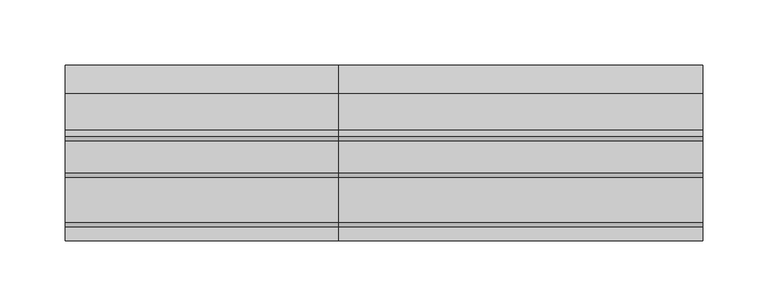
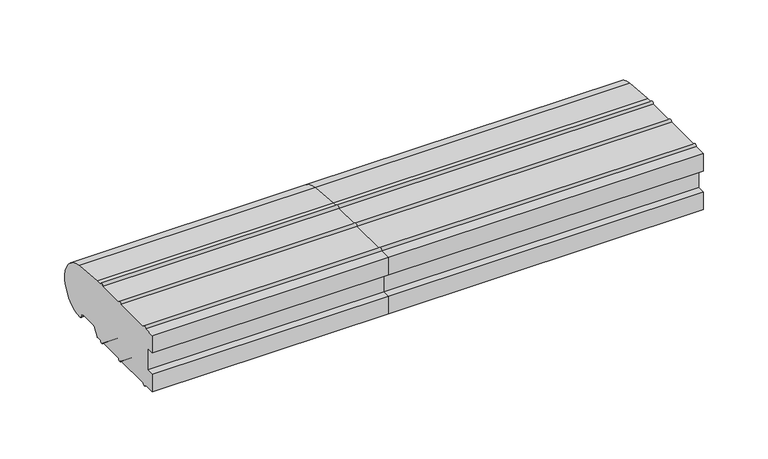
"""IFC4 building model written with IfcOpenShell, lengths in millimetres: proxy geometry."""

from ifc_helpers import new_model, si_unit, point, frame, frame_2d, origin, place, context, project, spatial, polyline, circle_curve, trimmed, segment, composite_curve, outline, extrude, source, transform, mapped, element, save


def generic_models_a398ca69(model_context):
    return source(origin(), model_context, "Body", "SweptSolid", [
        extrude(outline(composite_curve([segment(trimmed(circle_curve(frame_2d((26.5732255, 3.5071443)), 1.0), [point((26.5981483, 2.5074549))], [point((25.7072001, 3.0071443))], False, "CARTESIAN"), True, "CONTINUOUS"), segment(polyline([(25.7072001, 3.0071443), (23.6905989, 6.5)]), True, "CONTINUOUS"), segment(trimmed(circle_curve(frame_2d((21.9585481, 5.5)), 2.0), [point((23.6905989, 6.5))], [point((21.9585481, 7.5))], True, "CARTESIAN"), True, "CONTINUOUS"), segment(polyline([(21.9585481, 7.5), (5.4848276, 7.5)]), True, "CONTINUOUS"), segment(trimmed(circle_curve(frame_2d((5.4848276, 5.5)), 2.0), [point((5.4848276, 7.5))], [point((3.7527767, 6.5))], True, "CARTESIAN"), True, "CONTINUOUS"), segment(polyline([(3.7527767, 6.5), (0.2886751, 0.5)]), True, "CONTINUOUS"), segment(trimmed(circle_curve(frame_2d((-0.5773503, 1.0)), 1.0), [point((0.2886751, 0.5))], [point((-0.5773503, 0.0))], False, "CARTESIAN"), True, "CONTINUOUS"), segment(polyline([(-0.5773503, 0.0), (-5.0, 0.0)]), True, "CONTINUOUS"), segment(trimmed(circle_curve(frame_2d((-6.75, 0.0)), 1.75), [point((-5.0, 0.0))], [point((-8.5, 0.0))], False, "CARTESIAN"), True, "CONTINUOUS"), segment(polyline([(-8.5, 0.0), (-33.0, 0.0)]), True, "CONTINUOUS"), segment(trimmed(circle_curve(frame_2d((-34.75, 0.0)), 1.75), [point((-33.0, 0.0))], [point((-36.5, 0.0))], False, "CARTESIAN"), True, "CONTINUOUS"), segment(polyline([(-36.5, 0.0), (-71.0, 0.0)]), True, "CONTINUOUS"), segment(trimmed(circle_curve(frame_2d((-72.75, 0.0)), 1.75), [point((-71.0, 0.0))], [point((-74.5, 0.0))], False, "CARTESIAN"), True, "CONTINUOUS"), segment(polyline([(-74.5, 0.0), (-85.0, 0.0), (-85.0, 16.5), (-78.0, 16.5), (-78.0, 36.5), (-85.0, 36.5), (-85.0, 52.8593609), (-74.5, 52.8593609)]), True, "CONTINUOUS"), segment(trimmed(circle_curve(frame_2d((-72.75, 52.8593609)), 1.75), [point((-74.5, 52.8593609))], [point((-71.0, 52.8593609))], False, "CARTESIAN"), True, "CONTINUOUS"), segment(polyline([(-71.0, 52.8593609), (-36.5, 52.8593609)]), True, "CONTINUOUS"), segment(trimmed(circle_curve(frame_2d((-34.75, 52.8593609)), 1.75), [point((-36.5, 52.8593609))], [point((-33.0, 52.8593609))], False, "CARTESIAN"), True, "CONTINUOUS"), segment(polyline([(-33.0, 52.8593609), (-8.5, 52.8593609)]), True, "CONTINUOUS"), segment(trimmed(circle_curve(frame_2d((-6.75, 52.8593609)), 1.75), [point((-8.5, 52.8593609))], [point((-5.0, 52.8593609))], False, "CARTESIAN"), True, "CONTINUOUS"), segment(polyline([(-5.0, 52.8593609), (0.0, 52.8593609), (28.0858073, 50.4091909)]), True, "CONTINUOUS"), segment(trimmed(circle_curve(frame_2d((26.0, 26.5)), 24.0), [point((28.0858073, 50.4091909))], [point((26.5981483, 2.5074549))], False, "CARTESIAN"), True, "CONTINUOUS")], self_intersect=False)), frame((-210.0, 0.0, 0.0), z_axis=(1.0, 0.0, 0.0), x_axis=(0.0, 1.0, 0.0)), (0.0, 0.0, 1.0), 210.0),
        extrude(outline(composite_curve([segment(trimmed(circle_curve(frame_2d((26.5732255, 3.5071443)), 1.0), [point((26.5981483, 2.5074549))], [point((25.7072001, 3.0071443))], False, "CARTESIAN"), True, "CONTINUOUS"), segment(polyline([(25.7072001, 3.0071443), (23.6905989, 6.5)]), True, "CONTINUOUS"), segment(trimmed(circle_curve(frame_2d((21.9585481, 5.5)), 2.0), [point((23.6905989, 6.5))], [point((21.9585481, 7.5))], True, "CARTESIAN"), True, "CONTINUOUS"), segment(polyline([(21.9585481, 7.5), (5.4848276, 7.5)]), True, "CONTINUOUS"), segment(trimmed(circle_curve(frame_2d((5.4848276, 5.5)), 2.0), [point((5.4848276, 7.5))], [point((3.7527767, 6.5))], True, "CARTESIAN"), True, "CONTINUOUS"), segment(polyline([(3.7527767, 6.5), (0.2886751, 0.5)]), True, "CONTINUOUS"), segment(trimmed(circle_curve(frame_2d((-0.5773503, 1.0)), 1.0), [point((0.2886751, 0.5))], [point((-0.5773503, 0.0))], False, "CARTESIAN"), True, "CONTINUOUS"), segment(polyline([(-0.5773503, 0.0), (-5.0, 0.0)]), True, "CONTINUOUS"), segment(trimmed(circle_curve(frame_2d((-6.75, 0.0)), 1.75), [point((-5.0, 0.0))], [point((-8.5, 0.0))], False, "CARTESIAN"), True, "CONTINUOUS"), segment(polyline([(-8.5, 0.0), (-33.0, 0.0)]), True, "CONTINUOUS"), segment(trimmed(circle_curve(frame_2d((-34.75, 0.0)), 1.75), [point((-33.0, 0.0))], [point((-36.5, 0.0))], False, "CARTESIAN"), True, "CONTINUOUS"), segment(polyline([(-36.5, 0.0), (-71.0, 0.0)]), True, "CONTINUOUS"), segment(trimmed(circle_curve(frame_2d((-72.75, 0.0)), 1.75), [point((-71.0, 0.0))], [point((-74.5, 0.0))], False, "CARTESIAN"), True, "CONTINUOUS"), segment(polyline([(-74.5, 0.0), (-85.0, 0.0), (-85.0, 16.5), (-78.0, 16.5), (-78.0, 36.5), (-85.0, 36.5), (-85.0, 52.8558627), (-74.5, 52.8558627)]), True, "CONTINUOUS"), segment(trimmed(circle_curve(frame_2d((-72.75, 52.8558627)), 1.75), [point((-74.5, 52.8558627))], [point((-71.0, 52.8558627))], False, "CARTESIAN"), True, "CONTINUOUS"), segment(polyline([(-71.0, 52.8558627), (-36.5, 52.8558627)]), True, "CONTINUOUS"), segment(trimmed(circle_curve(frame_2d((-34.75, 52.8558627)), 1.75), [point((-36.5, 52.8558627))], [point((-33.0, 52.8558627))], False, "CARTESIAN"), True, "CONTINUOUS"), segment(polyline([(-33.0, 52.8558627), (-8.5, 52.8558627)]), True, "CONTINUOUS"), segment(trimmed(circle_curve(frame_2d((-6.75, 52.8558627)), 1.75), [point((-8.5, 52.8558627))], [point((-5.0, 52.8558627))], False, "CARTESIAN"), True, "CONTINUOUS"), segment(polyline([(-5.0, 52.8558627), (0.0400993, 52.8558627), (28.0858073, 50.4091909)]), True, "CONTINUOUS"), segment(trimmed(circle_curve(frame_2d((26.0, 26.5)), 24.0), [point((28.0858073, 50.4091909))], [point((26.5981483, 2.5074549))], False, "CARTESIAN"), True, "CONTINUOUS")], self_intersect=False), holes=[composite_curve([segment(trimmed(circle_curve(frame_2d((-13.0, 23.4166667)), 9.0833333), [point((-8.0, 31.0))], [point((-18.0, 31.0))], True, "CARTESIAN"), True, "CONTINUOUS"), segment(polyline([(-18.0, 31.0), (-18.0, 22.0)]), True, "CONTINUOUS"), segment(trimmed(circle_curve(frame_2d((-13.0, 29.5833333)), 9.0833333), [point((-18.0, 22.0))], [point((-8.0, 22.0))], True, "CARTESIAN"), True, "CONTINUOUS"), segment(polyline([(-8.0, 22.0), (-8.0, 31.0)]), True, "CONTINUOUS")], self_intersect=False), composite_curve([segment(polyline([(-29.0, 22.0), (-29.0, 31.0)]), True, "CONTINUOUS"), segment(trimmed(circle_curve(frame_2d((-34.0, 23.4166667)), 9.0833333), [point((-29.0, 31.0))], [point((-39.0, 31.0))], True, "CARTESIAN"), True, "CONTINUOUS"), segment(polyline([(-39.0, 31.0), (-39.0, 22.0)]), True, "CONTINUOUS"), segment(trimmed(circle_curve(frame_2d((-34.0, 29.5833333)), 9.0833333), [point((-39.0, 22.0))], [point((-29.0, 22.0))], True, "CARTESIAN"), True, "CONTINUOUS")], self_intersect=False), composite_curve([segment(polyline([(-50.0, 22.0), (-50.0, 31.0)]), True, "CONTINUOUS"), segment(trimmed(circle_curve(frame_2d((-55.0, 23.4166667)), 9.0833333), [point((-50.0, 31.0))], [point((-60.0, 31.0))], True, "CARTESIAN"), True, "CONTINUOUS"), segment(polyline([(-60.0, 31.0), (-60.0, 22.0)]), True, "CONTINUOUS"), segment(trimmed(circle_curve(frame_2d((-55.0, 29.5833333)), 9.0833333), [point((-60.0, 22.0))], [point((-50.0, 22.0))], True, "CARTESIAN"), True, "CONTINUOUS")], self_intersect=False)]), frame((0.0, 0.0, 0.0), z_axis=(1.0, 0.0, 0.0), x_axis=(0.0, 1.0, 0.0)), (0.0, 0.0, 1.0), 280.0),
    ])


if __name__ == "__main__":
    model = new_model("IFC4")
    model_context = context("Model", 3, world=origin())
    ifc_project = project(units=[si_unit("LENGTHUNIT", "METRE", prefix="MILLI")], contexts=[model_context])
    site = spatial("IfcSite", under=ifc_project)
    building = spatial("IfcBuilding", under=site)
    placement = place(None, origin())
    generic_models_shape = generic_models_a398ca69(model_context)
    element("IfcBuildingElementProxy", 1, Name="Generic Models", at=placement, inside=building, context=model_context, shape_type="MappedRepresentation", body=[
        mapped(generic_models_shape, transform((0.0, 0.0, 0.0), x_axis=(1.0, 0.0, 0.0), y_axis=(0.0, 1.0, 0.0), z_axis=(0.0, 0.0, 1.0))),
    ])
    save(model, "model.ifc")
